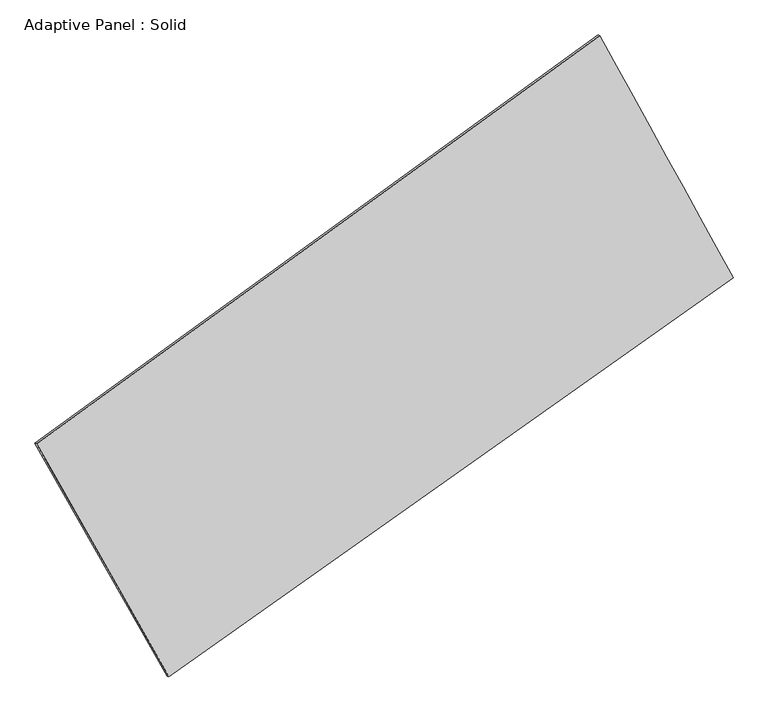
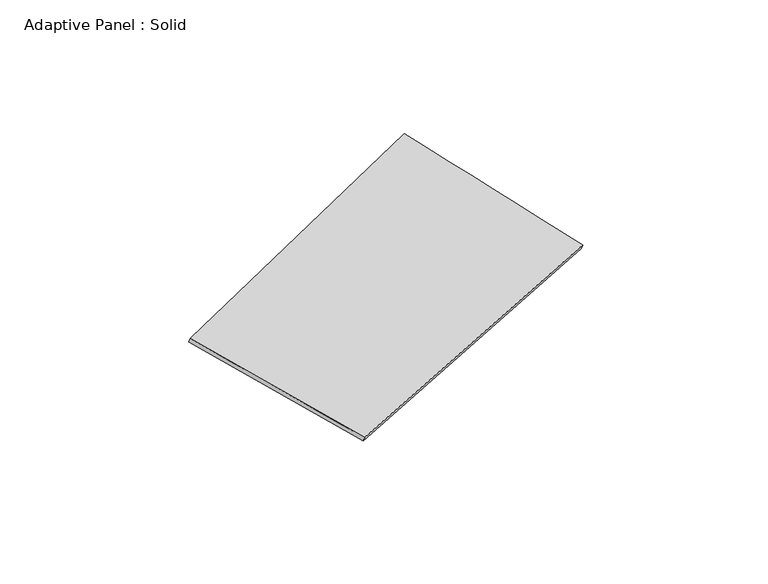
"""IFC4 building model written with IfcOpenShell, lengths in millimetres: plate geometry, Adaptive Panel : Solid."""

from ifc_helpers import new_model, si_unit, frame, origin, place, context, project, spatial, source, transform, mapped, element, save
from ifc_brep_helpers import plane_surface, spline_surface, advanced_brep


def adaptive_panel_solid_ea2893e6(model_context):
    return source(origin(), model_context, "Body", "AdvancedBrep", [
        advanced_brep(
        [(1157.9963489, 2613.5327537, 704.4633906), (-3575.4580552, -817.6141094, 1651.1623211), (-3560.7916994, -823.9942029, 1698.5352291), (1172.6627047, 2607.1526602, 751.8362986), (-2463.9410921, -2775.2943395, 1101.288714), (-2449.2747363, -2781.6744329, 1148.661622), (2278.1122203, 579.1271224, 28.2080945), (2292.7785762, 572.7470289, 75.5810025)],
        [
            (0, 1),
            (1, 2),
            (2, 3),
            (3, 0),
            (1, 4),
            (4, 5),
            (5, 2),
            (4, 6),
            (6, 7),
            (7, 5),
            (6, 0),
            (3, 7),
        ],
        [
            plane_surface(frame((-1208.7308532, 897.9593221, 1177.8128559), z_axis=(-0.52853675197431, 0.8041762169063419, 0.2719365991819619), x_axis=(-0.799248528539538, -0.5793525927082553, 0.1598510648998177))),
            plane_surface(frame((-3019.6995737, -1796.4542244, 1376.2255175), z_axis=(-0.8308986835824931, -0.5241861880906213, 0.18664462980729965), x_axis=(0.47963966353431897, -0.8447744101017154, -0.2372804020604826))),
            plane_surface(frame((-92.9144359, -1098.0836086, 564.7484043), z_axis=(0.5148903229076174, -0.8139483846162034, -0.26902784717713224), x_axis=(0.802807641557209, 0.5678880023345394, -0.18166757405172232))),
            plane_surface(frame((1718.0542846, 1596.329938, 366.3357426), z_axis=(0.8327468538587461, 0.5208796424867648, -0.1876621310526457), x_axis=(-0.463079765568427, 0.8410666314349071, 0.27957834717271784))),
            spline_surface(1, 1, [[(-3560.7916994, -823.9942029, 1698.5352291), (1172.6627047, 2607.1526602, 751.8362986)], [(-2449.2747363, -2781.6744329, 1148.661622), (2292.7785762, 572.7470289, 75.5810025)]], [2, 2], [2, 2], [0.0, 1.0], [0.0, 1.0]),
            spline_surface(1, 1, [[(2278.1122203, 579.1271224, 28.2080945), (1157.9963489, 2613.5327537, 704.4633906)], [(-2463.9410921, -2775.2943395, 1101.288714), (-3575.4580552, -817.6141094, 1651.1623211)]], [2, 2], [2, 2], [0.0, 1.0], [0.0, 1.0]),
        ],
        [
            (0, [[1, 2, 3, 4]]),
            (1, [[5, 6, 7, -2]]),
            (2, [[8, 9, 10, -6]]),
            (3, [[11, -4, 12, -9]]),
            (4, [[-3, -7, -10, -12]]),
            (5, [[-11, -8, -5, -1]]),
        ],
    ),
    ])


if __name__ == "__main__":
    model = new_model("IFC4")
    model_context = context("Model", 3, world=origin())
    ifc_project = project(units=[si_unit("LENGTHUNIT", "METRE", prefix="MILLI")], contexts=[model_context])
    site = spatial("IfcSite", under=ifc_project)
    building = spatial("IfcBuilding", under=site)
    placement = place(None, origin())
    adaptive_panel_solid_shape = adaptive_panel_solid_ea2893e6(model_context)
    element("IfcPlate", 1, ObjectType="Adaptive Panel : Solid", at=placement, inside=building, context=model_context, shape_type="MappedRepresentation", body=[
        mapped(adaptive_panel_solid_shape, transform((0.0, 0.0, 0.0), x_axis=(1.0, 0.0, 0.0), y_axis=(0.0, 1.0, 0.0), z_axis=(0.0, 0.0, 1.0))),
    ])
    save(model, "model.ifc")
